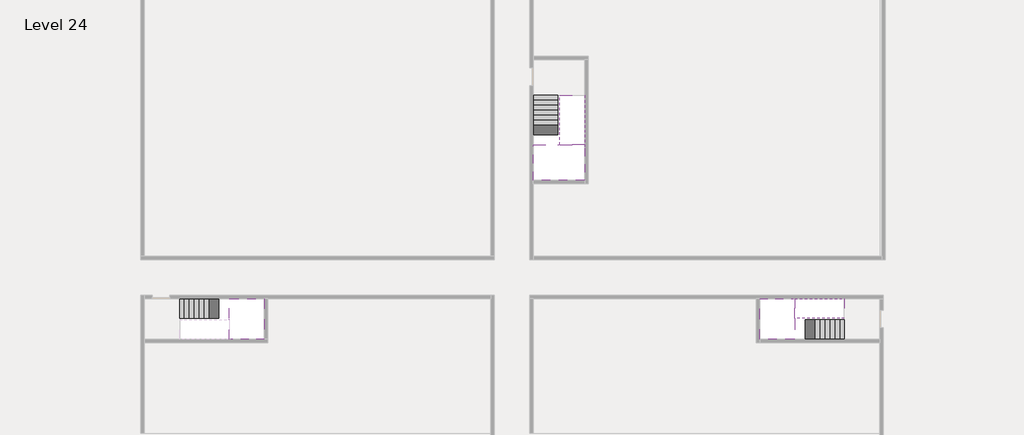
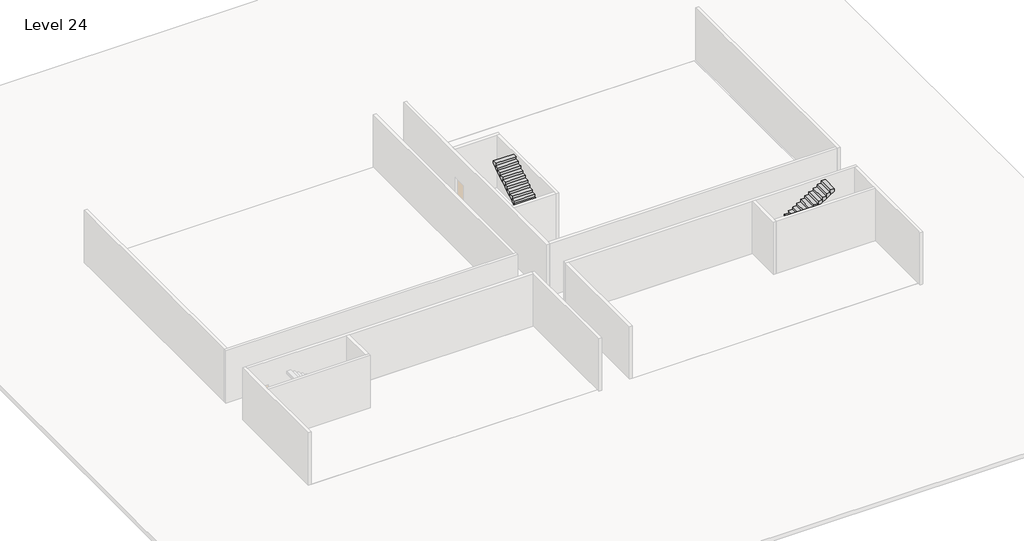
# One storey, part 2 of 2: 5 stair flights, 3 slabs.
"""IFC4 building model written with IfcOpenShell, lengths in millimetres."""

from ifc_helpers import new_model, si_unit, origin, place, context, project, spatial, faceted_brep, element, save

model = new_model("IFC4")

# Units and contexts
model_context = context("Model", 3, world=origin())
ifc_project = project(units=[si_unit("LENGTHUNIT", "METRE", prefix="MILLI")], contexts=[model_context])

# Site, building, storey
site = spatial("IfcSite", under=ifc_project)
building = spatial("IfcBuilding", under=site)
storey = spatial("IfcBuildingStorey", under=building, Name="Level 24", Elevation=87400.0)

# Slabs
placement = place(None, origin())
element("IfcSlab", 1, at=placement, inside=storey, context=model_context, shape_type="Brep", body=[
    faceted_brep([(8190.1058784, -42918.09644, 89300.0), (8190.1058784, -44018.09644, 89300.0), (8190.1058784, -44118.09644, 89300.0), (8190.1058784, -45218.09644, 89300.0), (8390.7194421, -45218.09644, 89300.0), (10190.1058784, -45218.09644, 89300.0), (10190.1058784, -42918.09644, 89300.0), (8269.4923146, -42918.09644, 89300.0), (8190.1058784, -42918.09644, 89127.2727273), (8190.1058784, -42918.09644, 88951.0278478), (8190.1058784, -44018.09644, 88951.0278478), (8190.1058784, -44018.09644, 89000.0), (8190.1058784, -44118.09644, 89000.0), (8190.1058784, -44118.09644, 89123.7551205), (8190.1058784, -45218.09644, 89123.7551205), (8390.7194421, -45218.09644, 89000.0), (10190.1058784, -45218.09644, 89000.0), (10190.1058784, -42918.09644, 89000.0), (8269.4923146, -42918.09644, 89000.0), (8390.7194421, -44118.09644, 89000.0), (8269.4923146, -44018.09644, 89000.0)], [[[0, 1, 2, 3, 4, 5, 6, 7]], [[1, 0, 8, 9, 10, 11]], [[2, 1, 11, 12, 13]], [[3, 2, 13, 14]], [[3, 14, 15, 16, 5, 4]], [[6, 5, 16, 17]], [[9, 8, 0, 7, 6, 17, 18]], [[19, 12, 11, 20, 18, 17, 16, 15]], [[12, 19, 13]], [[18, 20, 10, 9]], [[20, 11, 10]], [[19, 15, 14, 13]]]),
])
element("IfcSlab", 2, at=placement, inside=storey, context=model_context, shape_type="Brep", body=[
    faceted_brep([(40190.1058784, -45218.09644, 89300.0), (40190.1058784, -44118.09644, 89300.0), (40190.1058784, -44018.09644, 89300.0), (40190.1058784, -42918.09644, 89300.0), (39989.4923146, -42918.09644, 89300.0), (38190.1058784, -42918.09644, 89300.0), (38190.1058784, -45218.09644, 89300.0), (40110.7194421, -45218.09644, 89300.0), (40190.1058784, -45218.09644, 89127.2727273), (40190.1058784, -45218.09644, 88951.0278478), (40190.1058784, -44118.09644, 88951.0278478), (40190.1058784, -44118.09644, 89000.0), (40190.1058784, -44018.09644, 89000.0), (40190.1058784, -44018.09644, 89123.7551205), (40190.1058784, -42918.09644, 89123.7551205), (39989.4923146, -42918.09644, 89000.0), (38190.1058784, -42918.09644, 89000.0), (38190.1058784, -45218.09644, 89000.0), (40110.7194421, -45218.09644, 89000.0), (39989.4923146, -44018.09644, 89000.0), (40110.7194421, -44118.09644, 89000.0)], [[[0, 1, 2, 3, 4, 5, 6, 7]], [[1, 0, 8, 9, 10, 11]], [[2, 1, 11, 12, 13]], [[3, 2, 13, 14]], [[3, 14, 15, 16, 5, 4]], [[6, 5, 16, 17]], [[9, 8, 0, 7, 6, 17, 18]], [[19, 12, 11, 20, 18, 17, 16, 15]], [[12, 19, 13]], [[18, 20, 10, 9]], [[20, 11, 10]], [[19, 15, 14, 13]]]),
])
element("IfcSlab", 3, at=placement, inside=storey, context=model_context, shape_type="Brep", body=[
    faceted_brep([(26790.1058784, -34218.09644, 89300.0), (25390.1058784, -34218.09644, 89300.0), (25390.1058784, -34297.4828763, 89300.0), (25390.1058784, -36218.09644, 89300.0), (28290.1058784, -36218.09644, 89300.0), (28290.1058784, -34418.7100038, 89300.0), (28290.1058784, -34218.09644, 89300.0), (26890.1058784, -34218.09644, 89300.0), (26790.1058784, -34218.09644, 89000.0), (26790.1058784, -34218.09644, 88951.0278478), (25390.1058784, -34218.09644, 88951.0278478), (25390.1058784, -34218.09644, 89127.2727273), (25390.1058784, -34297.4828763, 89000.0), (25390.1058784, -36218.09644, 89000.0), (28290.1058784, -36218.09644, 89000.0), (28290.1058784, -34418.7100038, 89000.0), (28290.1058784, -34218.09644, 89123.7551205), (26890.1058784, -34218.09644, 89123.7551205), (26890.1058784, -34218.09644, 89000.0), (26890.1058784, -34418.7100038, 89000.0), (26790.1058784, -34297.4828763, 89000.0)], [[[0, 1, 2, 3, 4, 5, 6, 7]], [[1, 0, 8, 9, 10, 11]], [[1, 11, 10, 12, 13, 3, 2]], [[4, 3, 13, 14]], [[4, 14, 15, 16, 6, 5]], [[7, 6, 16, 17]], [[0, 7, 17, 18, 8]], [[18, 19, 15, 14, 13, 12, 20, 8]], [[19, 18, 17]], [[20, 12, 10, 9]], [[8, 20, 9]], [[15, 19, 17, 16]]]),
])

# Stair flights
element("IfcStairFlight", 4, at=placement, inside=storey, context=model_context, shape_type="Brep", body=[
    faceted_brep([(5670.1058784, -42918.09644, 87572.7272727), (5390.1058784, -42918.09644, 87572.7272727), (5390.1058784, -44018.09644, 87572.7272727), (5670.1058784, -44018.09644, 87572.7272727), (5670.1058784, -42918.09644, 87400.0), (5390.1058784, -42918.09644, 87400.0), (5390.1058784, -44018.09644, 87400.0), (5670.1058784, -44018.09644, 87400.0), (5950.1058784, -42918.09644, 87745.4545455), (5670.1058784, -42918.09644, 87745.4545455), (5670.1058784, -44018.09644, 87745.4545455), (5950.1058784, -44018.09644, 87745.4545455), (5950.1058784, -42918.09644, 87569.209666), (5675.8081041, -42918.09644, 87400.0), (5675.8081041, -44018.09644, 87400.0), (5950.1058784, -44018.09644, 87569.209666), (6230.1058784, -42918.09644, 87918.1818182), (5950.1058784, -42918.09644, 87918.1818182), (5950.1058784, -44018.09644, 87918.1818182), (6230.1058784, -44018.09644, 87918.1818182), (6230.1058784, -42918.09644, 87741.9369387), (6230.1058784, -44018.09644, 87741.9369387), (6510.1058784, -42918.09644, 88090.9090909), (6230.1058784, -42918.09644, 88090.9090909), (6230.1058784, -44018.09644, 88090.9090909), (6510.1058784, -44018.09644, 88090.9090909), (6510.1058784, -42918.09644, 87914.6642114), (6510.1058784, -44018.09644, 87914.6642114), (6790.1058784, -42918.09644, 88263.6363636), (6510.1058784, -42918.09644, 88263.6363636), (6510.1058784, -44018.09644, 88263.6363636), (6790.1058784, -44018.09644, 88263.6363636), (6790.1058784, -42918.09644, 88087.3914841), (6790.1058784, -44018.09644, 88087.3914841), (7070.1058784, -42918.09644, 88436.3636364), (6790.1058784, -42918.09644, 88436.3636364), (6790.1058784, -44018.09644, 88436.3636364), (7070.1058784, -44018.09644, 88436.3636364), (7070.1058784, -42918.09644, 88260.1187569), (7070.1058784, -44018.09644, 88260.1187569), (7350.1058784, -42918.09644, 88609.0909091), (7070.1058784, -42918.09644, 88609.0909091), (7070.1058784, -44018.09644, 88609.0909091), (7350.1058784, -44018.09644, 88609.0909091), (7350.1058784, -42918.09644, 88432.8460296), (7350.1058784, -44018.09644, 88432.8460296), (7630.1058784, -42918.09644, 88781.8181818), (7350.1058784, -42918.09644, 88781.8181818), (7350.1058784, -44018.09644, 88781.8181818), (7630.1058784, -44018.09644, 88781.8181818), (7630.1058784, -42918.09644, 88605.5733023), (7630.1058784, -44018.09644, 88605.5733023), (7910.1058784, -42918.09644, 88954.5454545), (7630.1058784, -42918.09644, 88954.5454545), (7630.1058784, -44018.09644, 88954.5454545), (7910.1058784, -44018.09644, 88954.5454545), (7910.1058784, -42918.09644, 88778.3005751), (7910.1058784, -44018.09644, 88778.3005751), (8190.1058784, -42918.09644, 89127.2727273), (7910.1058784, -42918.09644, 89127.2727273), (7910.1058784, -44018.09644, 89127.2727273), (8190.1058784, -44018.09644, 89127.2727273), (8190.1058784, -42918.09644, 88951.0278478), (8190.1058784, -44018.09644, 88951.0278478), (8190.1058784, -44018.09644, 89000.0)], [[[0, 1, 2, 3]], [[1, 0, 4, 5]], [[2, 1, 5, 6]], [[3, 2, 6, 7]], [[8, 9, 10, 11]], [[4, 0, 9, 8, 12, 13]], [[0, 3, 10, 9]], [[3, 7, 14, 15, 11, 10]], [[16, 17, 18, 19]], [[17, 16, 20, 12, 8]], [[8, 11, 18, 17]], [[19, 18, 11, 15, 21]], [[22, 23, 24, 25]], [[23, 22, 26, 20, 16]], [[16, 19, 24, 23]], [[25, 24, 19, 21, 27]], [[28, 29, 30, 31]], [[29, 28, 32, 26, 22]], [[22, 25, 30, 29]], [[31, 30, 25, 27, 33]], [[34, 35, 36, 37]], [[35, 34, 38, 32, 28]], [[28, 31, 36, 35]], [[37, 36, 31, 33, 39]], [[40, 41, 42, 43]], [[41, 40, 44, 38, 34]], [[34, 37, 42, 41]], [[43, 42, 37, 39, 45]], [[46, 47, 48, 49]], [[47, 46, 50, 44, 40]], [[40, 43, 48, 47]], [[49, 48, 43, 45, 51]], [[52, 53, 54, 55]], [[53, 52, 56, 50, 46]], [[46, 49, 54, 53]], [[55, 54, 49, 51, 57]], [[58, 59, 60, 61]], [[59, 58, 62, 56, 52]], [[52, 55, 60, 59]], [[61, 60, 55, 57, 63, 64]], [[58, 61, 64, 63, 62]], [[5, 4, 13, 14, 7, 6]], [[14, 13, 12, 20, 26, 32, 38, 44, 50, 56, 62, 63, 57, 51, 45, 39, 33, 27, 21, 15]]]),
])
element("IfcStairFlight", 5, at=placement, inside=storey, context=model_context, shape_type="Brep", body=[
    faceted_brep([(42710.1058784, -45218.09644, 87572.7272727), (42990.1058784, -45218.09644, 87572.7272727), (42990.1058784, -44118.09644, 87572.7272727), (42710.1058784, -44118.09644, 87572.7272727), (42710.1058784, -45218.09644, 87400.0), (42990.1058784, -45218.09644, 87400.0), (42990.1058784, -44118.09644, 87400.0), (42710.1058784, -44118.09644, 87400.0), (42430.1058784, -45218.09644, 87745.4545455), (42710.1058784, -45218.09644, 87745.4545455), (42710.1058784, -44118.09644, 87745.4545455), (42430.1058784, -44118.09644, 87745.4545455), (42430.1058784, -45218.09644, 87569.209666), (42704.4036527, -45218.09644, 87400.0), (42704.4036527, -44118.09644, 87400.0), (42430.1058784, -44118.09644, 87569.209666), (42150.1058784, -45218.09644, 87918.1818182), (42430.1058784, -45218.09644, 87918.1818182), (42430.1058784, -44118.09644, 87918.1818182), (42150.1058784, -44118.09644, 87918.1818182), (42150.1058784, -45218.09644, 87741.9369387), (42150.1058784, -44118.09644, 87741.9369387), (41870.1058784, -45218.09644, 88090.9090909), (42150.1058784, -45218.09644, 88090.9090909), (42150.1058784, -44118.09644, 88090.9090909), (41870.1058784, -44118.09644, 88090.9090909), (41870.1058784, -45218.09644, 87914.6642114), (41870.1058784, -44118.09644, 87914.6642114), (41590.1058784, -45218.09644, 88263.6363636), (41870.1058784, -45218.09644, 88263.6363636), (41870.1058784, -44118.09644, 88263.6363636), (41590.1058784, -44118.09644, 88263.6363636), (41590.1058784, -45218.09644, 88087.3914841), (41590.1058784, -44118.09644, 88087.3914841), (41310.1058784, -45218.09644, 88436.3636364), (41590.1058784, -45218.09644, 88436.3636364), (41590.1058784, -44118.09644, 88436.3636364), (41310.1058784, -44118.09644, 88436.3636364), (41310.1058784, -45218.09644, 88260.1187569), (41310.1058784, -44118.09644, 88260.1187569), (41030.1058784, -45218.09644, 88609.0909091), (41310.1058784, -45218.09644, 88609.0909091), (41310.1058784, -44118.09644, 88609.0909091), (41030.1058784, -44118.09644, 88609.0909091), (41030.1058784, -45218.09644, 88432.8460296), (41030.1058784, -44118.09644, 88432.8460296), (40750.1058784, -45218.09644, 88781.8181818), (41030.1058784, -45218.09644, 88781.8181818), (41030.1058784, -44118.09644, 88781.8181818), (40750.1058784, -44118.09644, 88781.8181818), (40750.1058784, -45218.09644, 88605.5733023), (40750.1058784, -44118.09644, 88605.5733023), (40470.1058784, -45218.09644, 88954.5454545), (40750.1058784, -45218.09644, 88954.5454545), (40750.1058784, -44118.09644, 88954.5454545), (40470.1058784, -44118.09644, 88954.5454545), (40470.1058784, -45218.09644, 88778.3005751), (40470.1058784, -44118.09644, 88778.3005751), (40190.1058784, -45218.09644, 89127.2727273), (40470.1058784, -45218.09644, 89127.2727273), (40470.1058784, -44118.09644, 89127.2727273), (40190.1058784, -44118.09644, 89127.2727273), (40190.1058784, -45218.09644, 88951.0278478), (40190.1058784, -44118.09644, 88951.0278478), (40190.1058784, -44118.09644, 89000.0)], [[[0, 1, 2, 3]], [[1, 0, 4, 5]], [[2, 1, 5, 6]], [[3, 2, 6, 7]], [[8, 9, 10, 11]], [[4, 0, 9, 8, 12, 13]], [[0, 3, 10, 9]], [[3, 7, 14, 15, 11, 10]], [[16, 17, 18, 19]], [[17, 16, 20, 12, 8]], [[8, 11, 18, 17]], [[19, 18, 11, 15, 21]], [[22, 23, 24, 25]], [[23, 22, 26, 20, 16]], [[16, 19, 24, 23]], [[25, 24, 19, 21, 27]], [[28, 29, 30, 31]], [[29, 28, 32, 26, 22]], [[22, 25, 30, 29]], [[31, 30, 25, 27, 33]], [[34, 35, 36, 37]], [[35, 34, 38, 32, 28]], [[28, 31, 36, 35]], [[37, 36, 31, 33, 39]], [[40, 41, 42, 43]], [[41, 40, 44, 38, 34]], [[34, 37, 42, 41]], [[43, 42, 37, 39, 45]], [[46, 47, 48, 49]], [[47, 46, 50, 44, 40]], [[40, 43, 48, 47]], [[49, 48, 43, 45, 51]], [[52, 53, 54, 55]], [[53, 52, 56, 50, 46]], [[46, 49, 54, 53]], [[55, 54, 49, 51, 57]], [[58, 59, 60, 61]], [[59, 58, 62, 56, 52]], [[52, 55, 60, 59]], [[61, 60, 55, 57, 63, 64]], [[58, 61, 64, 63, 62]], [[5, 4, 13, 14, 7, 6]], [[14, 13, 12, 20, 26, 32, 38, 44, 50, 56, 62, 63, 57, 51, 45, 39, 33, 27, 21, 15]]]),
])
element("IfcStairFlight", 6, at=placement, inside=storey, context=model_context, shape_type="Brep", body=[
    faceted_brep([(40470.1058784, -42918.09644, 89472.7272727), (40190.1058784, -42918.09644, 89472.7272727), (40190.1058784, -44018.09644, 89472.7272727), (40470.1058784, -44018.09644, 89472.7272727), (40470.1058784, -42918.09644, 89296.4823932), (40190.1058784, -42918.09644, 89123.7551205), (40190.1058784, -42918.09644, 89300.0), (40190.1058784, -44018.09644, 89123.7551205), (40470.1058784, -44018.09644, 89296.4823932), (40750.1058784, -42918.09644, 89645.4545455), (40470.1058784, -42918.09644, 89645.4545455), (40470.1058784, -44018.09644, 89645.4545455), (40750.1058784, -44018.09644, 89645.4545455), (40750.1058784, -42918.09644, 89469.209666), (40750.1058784, -44018.09644, 89469.209666), (41030.1058784, -42918.09644, 89818.1818182), (40750.1058784, -42918.09644, 89818.1818182), (40750.1058784, -44018.09644, 89818.1818182), (41030.1058784, -44018.09644, 89818.1818182), (41030.1058784, -42918.09644, 89641.9369387), (41030.1058784, -44018.09644, 89641.9369387), (41310.1058784, -42918.09644, 89990.9090909), (41030.1058784, -42918.09644, 89990.9090909), (41030.1058784, -44018.09644, 89990.9090909), (41310.1058784, -44018.09644, 89990.9090909), (41310.1058784, -42918.09644, 89814.6642114), (41310.1058784, -44018.09644, 89814.6642114), (41590.1058784, -42918.09644, 90163.6363636), (41310.1058784, -42918.09644, 90163.6363636), (41310.1058784, -44018.09644, 90163.6363636), (41590.1058784, -44018.09644, 90163.6363636), (41590.1058784, -42918.09644, 89987.3914841), (41590.1058784, -44018.09644, 89987.3914841), (41870.1058784, -42918.09644, 90336.3636364), (41590.1058784, -42918.09644, 90336.3636364), (41590.1058784, -44018.09644, 90336.3636364), (41870.1058784, -44018.09644, 90336.3636364), (41870.1058784, -42918.09644, 90160.1187569), (41870.1058784, -44018.09644, 90160.1187569), (42150.1058784, -42918.09644, 90509.0909091), (41870.1058784, -42918.09644, 90509.0909091), (41870.1058784, -44018.09644, 90509.0909091), (42150.1058784, -44018.09644, 90509.0909091), (42150.1058784, -42918.09644, 90332.8460296), (42150.1058784, -44018.09644, 90332.8460296), (42430.1058784, -42918.09644, 90681.8181818), (42150.1058784, -42918.09644, 90681.8181818), (42150.1058784, -44018.09644, 90681.8181818), (42430.1058784, -44018.09644, 90681.8181818), (42430.1058784, -42918.09644, 90505.5733023), (42430.1058784, -44018.09644, 90505.5733023), (42710.1058784, -42918.09644, 90854.5454545), (42430.1058784, -42918.09644, 90854.5454545), (42430.1058784, -44018.09644, 90854.5454545), (42710.1058784, -44018.09644, 90854.5454545), (42710.1058784, -42918.09644, 90678.3005751), (42710.1058784, -44018.09644, 90678.3005751), (42990.1058784, -42918.09644, 91027.2727273), (42710.1058784, -42918.09644, 91027.2727273), (42710.1058784, -44018.09644, 91027.2727273), (42990.1058784, -44018.09644, 91027.2727273), (42990.1058784, -42918.09644, 90851.0278478), (42990.1058784, -44018.09644, 90851.0278478)], [[[0, 1, 2, 3]], [[1, 0, 4, 5, 6]], [[2, 1, 6, 5, 7]], [[3, 2, 7, 8]], [[9, 10, 11, 12]], [[10, 9, 13, 4, 0]], [[11, 10, 0, 3]], [[12, 11, 3, 8, 14]], [[15, 16, 17, 18]], [[16, 15, 19, 13, 9]], [[17, 16, 9, 12]], [[18, 17, 12, 14, 20]], [[21, 22, 23, 24]], [[22, 21, 25, 19, 15]], [[23, 22, 15, 18]], [[24, 23, 18, 20, 26]], [[27, 28, 29, 30]], [[28, 27, 31, 25, 21]], [[29, 28, 21, 24]], [[30, 29, 24, 26, 32]], [[33, 34, 35, 36]], [[34, 33, 37, 31, 27]], [[35, 34, 27, 30]], [[36, 35, 30, 32, 38]], [[39, 40, 41, 42]], [[40, 39, 43, 37, 33]], [[41, 40, 33, 36]], [[42, 41, 36, 38, 44]], [[45, 46, 47, 48]], [[46, 45, 49, 43, 39]], [[47, 46, 39, 42]], [[48, 47, 42, 44, 50]], [[51, 52, 53, 54]], [[52, 51, 55, 49, 45]], [[53, 52, 45, 48]], [[54, 53, 48, 50, 56]], [[57, 58, 59, 60]], [[58, 57, 61, 55, 51]], [[59, 58, 51, 54]], [[60, 59, 54, 56, 62]], [[57, 60, 62, 61]], [[5, 4, 13, 19, 25, 31, 37, 43, 49, 55, 61, 62, 56, 50, 44, 38, 32, 26, 20, 14, 8, 7]]]),
])
element("IfcStairFlight", 7, at=placement, inside=storey, context=model_context, shape_type="Brep", body=[
    faceted_brep([(26790.1058784, -31698.09644, 87572.7272727), (26790.1058784, -31418.09644, 87572.7272727), (25390.1058784, -31418.09644, 87572.7272727), (25390.1058784, -31698.09644, 87572.7272727), (26790.1058784, -31698.09644, 87400.0), (26790.1058784, -31418.09644, 87400.0), (25390.1058784, -31418.09644, 87400.0), (25390.1058784, -31698.09644, 87400.0), (26790.1058784, -31978.09644, 87745.4545455), (26790.1058784, -31698.09644, 87745.4545455), (25390.1058784, -31698.09644, 87745.4545455), (25390.1058784, -31978.09644, 87745.4545455), (26790.1058784, -31978.09644, 87569.209666), (26790.1058784, -31703.7986657, 87400.0), (25390.1058784, -31703.7986657, 87400.0), (25390.1058784, -31978.09644, 87569.209666), (26790.1058784, -32258.09644, 87918.1818182), (26790.1058784, -31978.09644, 87918.1818182), (25390.1058784, -31978.09644, 87918.1818182), (25390.1058784, -32258.09644, 87918.1818182), (26790.1058784, -32258.09644, 87741.9369387), (25390.1058784, -32258.09644, 87741.9369387), (26790.1058784, -32538.09644, 88090.9090909), (26790.1058784, -32258.09644, 88090.9090909), (25390.1058784, -32258.09644, 88090.9090909), (25390.1058784, -32538.09644, 88090.9090909), (26790.1058784, -32538.09644, 87914.6642114), (25390.1058784, -32538.09644, 87914.6642114), (26790.1058784, -32818.09644, 88263.6363636), (26790.1058784, -32538.09644, 88263.6363636), (25390.1058784, -32538.09644, 88263.6363636), (25390.1058784, -32818.09644, 88263.6363636), (26790.1058784, -32818.09644, 88087.3914841), (25390.1058784, -32818.09644, 88087.3914841), (26790.1058784, -33098.09644, 88436.3636364), (26790.1058784, -32818.09644, 88436.3636364), (25390.1058784, -32818.09644, 88436.3636364), (25390.1058784, -33098.09644, 88436.3636364), (26790.1058784, -33098.09644, 88260.1187569), (25390.1058784, -33098.09644, 88260.1187569), (26790.1058784, -33378.09644, 88609.0909091), (26790.1058784, -33098.09644, 88609.0909091), (25390.1058784, -33098.09644, 88609.0909091), (25390.1058784, -33378.09644, 88609.0909091), (26790.1058784, -33378.09644, 88432.8460296), (25390.1058784, -33378.09644, 88432.8460296), (26790.1058784, -33658.09644, 88781.8181818), (26790.1058784, -33378.09644, 88781.8181818), (25390.1058784, -33378.09644, 88781.8181818), (25390.1058784, -33658.09644, 88781.8181818), (26790.1058784, -33658.09644, 88605.5733023), (25390.1058784, -33658.09644, 88605.5733023), (26790.1058784, -33938.09644, 88954.5454545), (26790.1058784, -33658.09644, 88954.5454545), (25390.1058784, -33658.09644, 88954.5454545), (25390.1058784, -33938.09644, 88954.5454545), (26790.1058784, -33938.09644, 88778.3005751), (25390.1058784, -33938.09644, 88778.3005751), (26790.1058784, -34218.09644, 89127.2727273), (26790.1058784, -33938.09644, 89127.2727273), (25390.1058784, -33938.09644, 89127.2727273), (25390.1058784, -34218.09644, 89127.2727273), (26790.1058784, -34218.09644, 89000.0), (26790.1058784, -34218.09644, 88951.0278478), (25390.1058784, -34218.09644, 88951.0278478)], [[[0, 1, 2, 3]], [[1, 0, 4, 5]], [[2, 1, 5, 6]], [[3, 2, 6, 7]], [[8, 9, 10, 11]], [[4, 0, 9, 8, 12, 13]], [[0, 3, 10, 9]], [[3, 7, 14, 15, 11, 10]], [[16, 17, 18, 19]], [[17, 16, 20, 12, 8]], [[8, 11, 18, 17]], [[19, 18, 11, 15, 21]], [[22, 23, 24, 25]], [[23, 22, 26, 20, 16]], [[16, 19, 24, 23]], [[25, 24, 19, 21, 27]], [[28, 29, 30, 31]], [[29, 28, 32, 26, 22]], [[22, 25, 30, 29]], [[31, 30, 25, 27, 33]], [[34, 35, 36, 37]], [[35, 34, 38, 32, 28]], [[28, 31, 36, 35]], [[37, 36, 31, 33, 39]], [[40, 41, 42, 43]], [[41, 40, 44, 38, 34]], [[34, 37, 42, 41]], [[43, 42, 37, 39, 45]], [[46, 47, 48, 49]], [[47, 46, 50, 44, 40]], [[40, 43, 48, 47]], [[49, 48, 43, 45, 51]], [[52, 53, 54, 55]], [[53, 52, 56, 50, 46]], [[46, 49, 54, 53]], [[55, 54, 49, 51, 57]], [[58, 59, 60, 61]], [[59, 58, 62, 63, 56, 52]], [[52, 55, 60, 59]], [[61, 60, 55, 57, 64]], [[58, 61, 64, 63, 62]], [[5, 4, 13, 14, 7, 6]], [[14, 13, 12, 20, 26, 32, 38, 44, 50, 56, 63, 64, 57, 51, 45, 39, 33, 27, 21, 15]]]),
])
element("IfcStairFlight", 8, at=placement, inside=storey, context=model_context, shape_type="Brep", body=[
    faceted_brep([(26890.1058784, -33938.09644, 89472.7272727), (26890.1058784, -34218.09644, 89472.7272727), (28290.1058784, -34218.09644, 89472.7272727), (28290.1058784, -33938.09644, 89472.7272727), (26890.1058784, -33938.09644, 89296.4823932), (26890.1058784, -34218.09644, 89123.7551205), (28290.1058784, -34218.09644, 89123.7551205), (28290.1058784, -34218.09644, 89300.0), (28290.1058784, -33938.09644, 89296.4823932), (26890.1058784, -33658.09644, 89645.4545455), (26890.1058784, -33938.09644, 89645.4545455), (28290.1058784, -33938.09644, 89645.4545455), (28290.1058784, -33658.09644, 89645.4545455), (26890.1058784, -33658.09644, 89469.209666), (28290.1058784, -33658.09644, 89469.209666), (26890.1058784, -33378.09644, 89818.1818182), (26890.1058784, -33658.09644, 89818.1818182), (28290.1058784, -33658.09644, 89818.1818182), (28290.1058784, -33378.09644, 89818.1818182), (26890.1058784, -33378.09644, 89641.9369387), (28290.1058784, -33378.09644, 89641.9369387), (26890.1058784, -33098.09644, 89990.9090909), (26890.1058784, -33378.09644, 89990.9090909), (28290.1058784, -33378.09644, 89990.9090909), (28290.1058784, -33098.09644, 89990.9090909), (26890.1058784, -33098.09644, 89814.6642114), (28290.1058784, -33098.09644, 89814.6642114), (26890.1058784, -32818.09644, 90163.6363636), (26890.1058784, -33098.09644, 90163.6363636), (28290.1058784, -33098.09644, 90163.6363636), (28290.1058784, -32818.09644, 90163.6363636), (26890.1058784, -32818.09644, 89987.3914841), (28290.1058784, -32818.09644, 89987.3914841), (26890.1058784, -32538.09644, 90336.3636364), (26890.1058784, -32818.09644, 90336.3636364), (28290.1058784, -32818.09644, 90336.3636364), (28290.1058784, -32538.09644, 90336.3636364), (26890.1058784, -32538.09644, 90160.1187569), (28290.1058784, -32538.09644, 90160.1187569), (26890.1058784, -32258.09644, 90509.0909091), (26890.1058784, -32538.09644, 90509.0909091), (28290.1058784, -32538.09644, 90509.0909091), (28290.1058784, -32258.09644, 90509.0909091), (26890.1058784, -32258.09644, 90332.8460296), (28290.1058784, -32258.09644, 90332.8460296), (26890.1058784, -31978.09644, 90681.8181818), (26890.1058784, -32258.09644, 90681.8181818), (28290.1058784, -32258.09644, 90681.8181818), (28290.1058784, -31978.09644, 90681.8181818), (26890.1058784, -31978.09644, 90505.5733023), (28290.1058784, -31978.09644, 90505.5733023), (26890.1058784, -31698.09644, 90854.5454545), (26890.1058784, -31978.09644, 90854.5454545), (28290.1058784, -31978.09644, 90854.5454545), (28290.1058784, -31698.09644, 90854.5454545), (26890.1058784, -31698.09644, 90678.3005751), (28290.1058784, -31698.09644, 90678.3005751), (26890.1058784, -31418.09644, 91027.2727273), (26890.1058784, -31698.09644, 91027.2727273), (28290.1058784, -31698.09644, 91027.2727273), (28290.1058784, -31418.09644, 91027.2727273), (26890.1058784, -31418.09644, 90851.0278478), (28290.1058784, -31418.09644, 90851.0278478)], [[[0, 1, 2, 3]], [[1, 0, 4, 5]], [[2, 1, 5, 6, 7]], [[3, 2, 7, 6, 8]], [[9, 10, 11, 12]], [[10, 9, 13, 4, 0]], [[11, 10, 0, 3]], [[12, 11, 3, 8, 14]], [[15, 16, 17, 18]], [[16, 15, 19, 13, 9]], [[17, 16, 9, 12]], [[18, 17, 12, 14, 20]], [[21, 22, 23, 24]], [[22, 21, 25, 19, 15]], [[23, 22, 15, 18]], [[24, 23, 18, 20, 26]], [[27, 28, 29, 30]], [[28, 27, 31, 25, 21]], [[29, 28, 21, 24]], [[30, 29, 24, 26, 32]], [[33, 34, 35, 36]], [[34, 33, 37, 31, 27]], [[35, 34, 27, 30]], [[36, 35, 30, 32, 38]], [[39, 40, 41, 42]], [[40, 39, 43, 37, 33]], [[41, 40, 33, 36]], [[42, 41, 36, 38, 44]], [[45, 46, 47, 48]], [[46, 45, 49, 43, 39]], [[47, 46, 39, 42]], [[48, 47, 42, 44, 50]], [[51, 52, 53, 54]], [[52, 51, 55, 49, 45]], [[53, 52, 45, 48]], [[54, 53, 48, 50, 56]], [[57, 58, 59, 60]], [[58, 57, 61, 55, 51]], [[59, 58, 51, 54]], [[60, 59, 54, 56, 62]], [[57, 60, 62, 61]], [[5, 4, 13, 19, 25, 31, 37, 43, 49, 55, 61, 62, 56, 50, 44, 38, 32, 26, 20, 14, 8, 6]]]),
])

save(model, "model.ifc")
